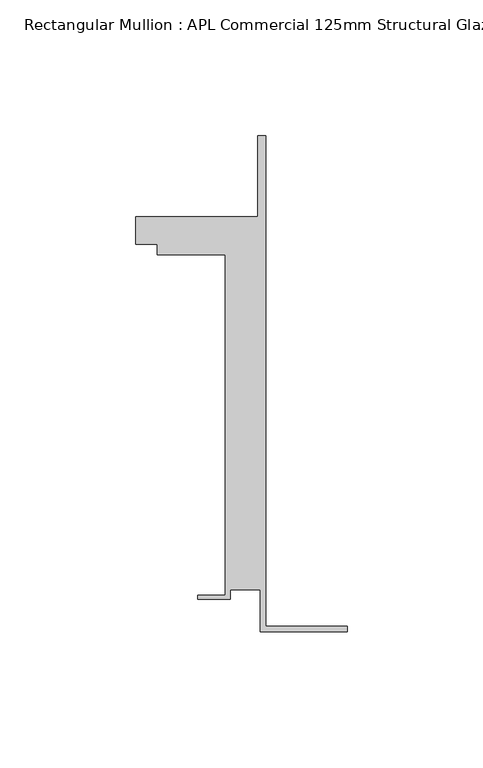
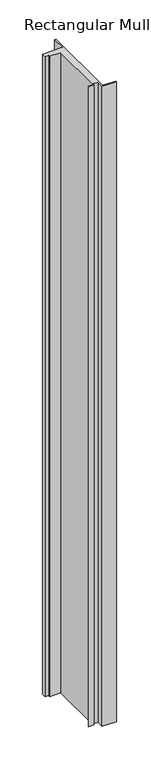
"""IFC4 building model written with IfcOpenShell, lengths in millimetres: member geometry, Rectangular Mullion : APL Commercial 125mm Structural Glaze SubSill."""

import ifcopenshell
import ifcopenshell.guid

model = None  # the IFC model being written
_history = None  # IfcOwnerHistory: only IFC2X3 demands one
_inside = {}  # id of a spatial element -> (the spatial element, [elements in it])
_under = {}  # id of a project, library or spatial element -> (it, [spatial elements below it])
_declared = {}  # id of a project -> (the project, [libraries it declares])
_typed = {}  # id of a type object -> (the type object, [elements of that type])
_made_of = {}  # id of a material, layer set ... -> (it, [elements and type objects made of it])


def new_model(schema):
    """Start an empty IFC model of exactly this schema.

    Asked for "IFC4X3", IfcOpenShell would pick the latest addendum, in which some entities
    have other attributes; the version numbers below select the first issue.
    IFC2X3 requires an IfcOwnerHistory on every rooted entity: one is made here for all.
    """
    global model, _history
    if schema == "IFC4X3":
        model = ifcopenshell.file(schema_version=(4, 3, 0, 0))
    else:
        model = ifcopenshell.file(schema=schema)
    _inside.clear()
    _under.clear()
    _declared.clear()
    _typed.clear()
    _made_of.clear()
    _history = None
    if model.schema == "IFC2X3":
        org = make("IfcOrganization", Name="unknown")
        user = make(
            "IfcPersonAndOrganization",
            ThePerson=make("IfcPerson", FamilyName="unknown"),
            TheOrganization=org,
        )
        app = make(
            "IfcApplication",
            ApplicationDeveloper=org,
            Version="unknown",
            ApplicationFullName="unknown",
            ApplicationIdentifier="unknown",
        )
        _history = make(
            "IfcOwnerHistory",
            OwningUser=user,
            OwningApplication=app,
            ChangeAction="ADDED",
            CreationDate=0,
        )
    return model


def make(cls, **values):
    """One entity of the class cls with the attributes given. An attribute that is None is left unset."""
    return model.create_entity(
        cls, **{name: value for name, value in values.items() if value is not None}
    )


def rooted(cls, **values):
    """An entity with a GlobalId (a new one), such as an element, a storey or a relation."""
    return make(cls, GlobalId=ifcopenshell.guid.new(), OwnerHistory=_history, **values)


def si_unit(unit_type, name, prefix=None):
    """IfcSIUnit, for example si_unit("LENGTHUNIT", "METRE", prefix="MILLI")."""
    return make("IfcSIUnit", UnitType=unit_type, Prefix=prefix, Name=name)


def assignment(units):
    """IfcUnitAssignment: the units of a project."""
    return None if units is None else make("IfcUnitAssignment", Units=units)


def point(xyz):
    """IfcCartesianPoint."""
    return None if xyz is None else make("IfcCartesianPoint", Coordinates=xyz)


def direction(xyz):
    """IfcDirection."""
    return None if xyz is None else make("IfcDirection", DirectionRatios=xyz)


def frame(location, z_axis=None, x_axis=None):
    """IfcAxis2Placement3D, a coordinate frame: its origin and axes. An axis left out is left unset."""
    return make(
        "IfcAxis2Placement3D",
        Location=point(location),
        Axis=direction(z_axis),
        RefDirection=direction(x_axis),
    )


def origin():
    """The frame at (0, 0, 0) with its axes left unset."""
    return frame((0.0, 0.0, 0.0))


def place(relative_to, where):
    """IfcLocalPlacement: puts the frame where relative to a parent placement (None: the world)."""
    return make(
        "IfcLocalPlacement", PlacementRelTo=relative_to, RelativePlacement=where
    )


def context(
    kind, dimensions, precision=None, world=None, true_north=None, identifier=None
):
    """IfcGeometricRepresentationContext, for example the 3D "Model" context."""
    return make(
        "IfcGeometricRepresentationContext",
        ContextIdentifier=identifier,
        ContextType=kind,
        CoordinateSpaceDimension=dimensions,
        Precision=precision,
        WorldCoordinateSystem=world,
        TrueNorth=true_north,
    )


def project(units=None, contexts=None):
    """IfcProject with its units and contexts."""
    return rooted(
        "IfcProject",
        Name="project",
        RepresentationContexts=contexts,
        UnitsInContext=assignment(units),
    )


def spatial(cls, under=None, at=None, **own):
    """A site, building, storey or space (cls), placed at a placement, below another one or the project."""
    s = rooted(cls, ObjectPlacement=at, **own)
    if under is not None:
        _under.setdefault(under.id(), (under, []))[1].append(s)
    return s


def polyline(points):
    """IfcPolyline through the points."""
    return make("IfcPolyline", Points=[point(p) for p in points])


def outline(outer, holes=None, kind="AREA"):
    """IfcArbitraryClosedProfileDef: a profile drawn as a closed curve; with holes, ...WithVoids."""
    if holes is None:
        return make("IfcArbitraryClosedProfileDef", ProfileType=kind, OuterCurve=outer)
    return make(
        "IfcArbitraryProfileDefWithVoids",
        ProfileType=kind,
        OuterCurve=outer,
        InnerCurves=holes,
    )


def extrude(swept, where, along, depth):
    """IfcExtrudedAreaSolid: the profile swept, set in the frame where, extruded along a direction by depth."""
    return make(
        "IfcExtrudedAreaSolid",
        SweptArea=swept,
        Position=where,
        ExtrudedDirection=direction(along),
        Depth=depth,
    )


def shape(context_of_items, identifier, shape_type, items):
    """IfcShapeRepresentation: the items that make up one representation, for example the "Body"."""
    return make(
        "IfcShapeRepresentation",
        ContextOfItems=context_of_items,
        RepresentationIdentifier=identifier,
        RepresentationType=shape_type,
        Items=items,
    )


def source(mapping_origin, context_of_items, identifier, shape_type, items):
    """IfcRepresentationMap: a shape defined once, which mapped items show again and again."""
    return make(
        "IfcRepresentationMap",
        MappingOrigin=mapping_origin,
        MappedRepresentation=shape(context_of_items, identifier, shape_type, items),
    )


def transform(
    local_origin,
    x_axis=None,
    y_axis=None,
    z_axis=None,
    scale=None,
    scale2=None,
    scale3=None,
    uniform=True,
):
    """IfcCartesianTransformationOperator3D, or its non-uniform kind. x_axis, y_axis, z_axis: its Axis1, 2, 3."""
    if uniform:
        return make(
            "IfcCartesianTransformationOperator3D",
            Axis1=direction(x_axis),
            Axis2=direction(y_axis),
            LocalOrigin=point(local_origin),
            Scale=scale,
            Axis3=direction(z_axis),
        )
    return make(
        "IfcCartesianTransformationOperator3DnonUniform",
        Axis1=direction(x_axis),
        Axis2=direction(y_axis),
        LocalOrigin=point(local_origin),
        Scale=scale,
        Axis3=direction(z_axis),
        Scale2=scale2,
        Scale3=scale3,
    )


def mapped(mapping_source, mapping_target):
    """IfcMappedItem: shows the shape of a source again, moved by a transform."""
    return make(
        "IfcMappedItem", MappingSource=mapping_source, MappingTarget=mapping_target
    )


def made_of(thing, what):
    """Note that an element or type object is made of a material, layer set ...; save() writes the relation."""
    if what is not None:
        _made_of.setdefault(what.id(), (what, []))[1].append(thing)
    return thing


def element(
    cls,
    number,
    at=None,
    inside=None,
    cuts=None,
    type_object=None,
    material=None,
    context=None,
    identifier="Body",
    shape_type=None,
    held_by="IfcProductDefinitionShape",
    body=None,
    shapes=None,
    **own,
):
    """One element of the class cls, such as IfcWall. Its Tag is "e" and its number.

    at: its placement. inside: the storey or other place that contains it. cuts: it is an
    opening in that element (IfcRelVoidsElement). A single representation is given by context,
    identifier, shape_type and body (its items); several are given by shapes. held_by: the class
    of the entity that holds the representations. save() writes the other relations.
    """
    e = rooted(cls, Tag="e%d" % number, ObjectPlacement=at, **own)
    if body is not None:
        shapes = [shape(context, identifier, shape_type, body)]
    if shapes is not None:
        e.Representation = make(held_by, Representations=shapes)
    if inside is not None:
        _inside.setdefault(inside.id(), (inside, []))[1].append(e)
    if cuts is not None:
        rooted(
            "IfcRelVoidsElement", RelatingBuildingElement=cuts, RelatedOpeningElement=e
        )
    if type_object is not None:
        _typed.setdefault(type_object.id(), (type_object, []))[1].append(e)
    return made_of(e, material)


def aggregate(whole, parts):
    """IfcRelAggregates: a whole, such as a stair, and the parts it consists of."""
    return rooted("IfcRelAggregates", RelatingObject=whole, RelatedObjects=parts)


def save(model, path):
    """Write the relations noted so far, then the file.

    IfcRelAggregates (storeys below a building ...), IfcRelContainedInSpatialStructure (elements
    in a storey), IfcRelDefinesByType, IfcRelAssociatesMaterial and IfcRelDeclares: one each for
    every whole, place, type object, material and project.
    """
    for whole, parts in _under.values():
        aggregate(whole, parts)
    for where, things in _inside.values():
        rooted(
            "IfcRelContainedInSpatialStructure",
            RelatedElements=things,
            RelatingStructure=where,
        )
    for kind, things in _typed.values():
        rooted("IfcRelDefinesByType", RelatedObjects=things, RelatingType=kind)
    for what, things in _made_of.values():
        rooted("IfcRelAssociatesMaterial", RelatedObjects=things, RelatingMaterial=what)
    for by, libraries in _declared.values():
        rooted("IfcRelDeclares", RelatingContext=by, RelatedDefinitions=libraries)
    model.write(path)


def rectangular_mullion_apl_commercial_125mm_structural_glaze_8cbdb17d(model_context):
    return source(origin(), model_context, "Body", "SweptSolid", [
        extrude(outline(polyline([(-32.1465839, -41.25), (-32.1465839, -25.75), (-43.1465839, -25.75), (-43.1465839, -29.25), (-55.1465839, -29.25), (-55.1465839, -27.75), (-45.1465839, -27.75), (-45.1465839, 97.75), (-70.1466122, 97.75), (-70.1466122, 101.75), (-78.1466122, 101.75), (-78.1466122, 111.75), (-33.1466122, 111.75), (-33.1466122, 141.75), (-30.1465839, 141.75), (-30.1465839, -39.25), (0.0, -39.25), (0.0, -41.25), (-32.1465839, -41.25)])), frame((0.0, 0.0, -1524.0616166), z_axis=(0.0, 0.0, 1.0), x_axis=(1.0, 0.0, 0.0)), (0.0, 0.0, 1.0), 1524.0616166),
    ])


if __name__ == "__main__":
    model = new_model("IFC4")
    model_context = context("Model", 3, world=origin())
    ifc_project = project(units=[si_unit("LENGTHUNIT", "METRE", prefix="MILLI")], contexts=[model_context])
    site = spatial("IfcSite", under=ifc_project)
    building = spatial("IfcBuilding", under=site)
    placement = place(None, origin())
    rectangular_mullion_apl_commercial_125mm_structural_glaze_shape = rectangular_mullion_apl_commercial_125mm_structural_glaze_8cbdb17d(model_context)
    element("IfcMember", 1, ObjectType="Rectangular Mullion : APL Commercial 125mm Structural Glaze SubSill", at=placement, inside=building, context=model_context, shape_type="MappedRepresentation", body=[
        mapped(rectangular_mullion_apl_commercial_125mm_structural_glaze_shape, transform((0.0, 0.0, 0.0), x_axis=(1.0, 0.0, 0.0), y_axis=(0.0, 1.0, 0.0), z_axis=(0.0, 0.0, 1.0))),
    ])
    save(model, "model.ifc")
